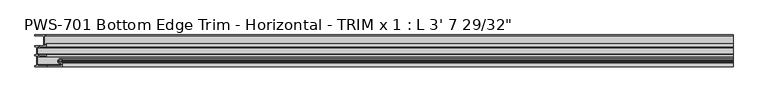
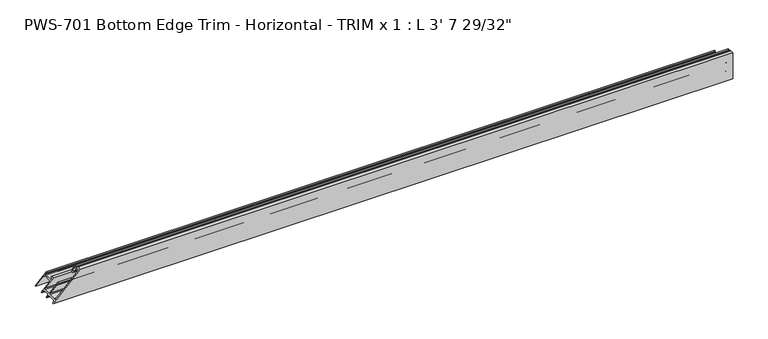
"""IFC4 building model written with IfcOpenShell, lengths in millimetres: proxy geometry."""

from ifc_helpers import new_model, si_unit, frame, origin, place, context, project, spatial, polyline, circle_curve, ellipse_curve, source, transform, mapped, element, save
from ifc_brep_helpers import plane_surface, cylinder_surface, revolved_surface, advanced_brep


def proxy_22aa5957(model_context):
    return source(origin(), model_context, "Body", "AdvancedBrep", [
        advanced_brep(
        [(1115.21875, 15.875, 17.4625), (1115.21875, 17.4625, 15.875), (1115.21875, 17.4625, 6.35), (1115.21875, 15.875, 4.7625), (1115.21875, 3.97002, 4.7625), (1115.21875, 2.38252, 6.35), (1115.21875, 1.5875, 19.05), (1115.21875, 1.5875, 41.275), (1115.21875, 3.175, 42.8625), (1115.21875, 4.699, 42.8625), (1115.21875, 4.699, 40.0142401), (1115.21875, 8.6995, 36.4914739), (1115.21875, 12.7, 40.0142401), (1115.21875, 12.7, 43.688), (1115.21875, 10.3627194, 43.688), (1115.21875, 10.2659469, 42.7502912), (1115.21875, 11.1125, 42.7502912), (1115.21875, 11.1125, 40.242076), (1115.21875, 8.6995, 38.1), (1115.21875, 6.2865, 40.242076), (1115.21875, 6.2865, 42.7502912), (1115.21875, 7.1755, 42.7502912), (1115.21875, 7.1755, 43.5416341), (1115.21875, 6.0569064, 44.45), (1115.21875, 0.0, 44.45), (1115.21875, 0.0, 0.0), (1115.21875, 1.5875, 0.0), (1115.21875, 1.5875, 1.5875), (1115.21875, 3.175, 3.175), (1115.21875, 15.875, 3.175), (1115.21875, 17.4625, 1.5875), (1115.21875, 17.4625, 0.0), (1115.21875, 19.05, 0.0), (1115.21875, 19.05, 1.5875), (1115.21875, 20.6375, 3.175), (1115.21875, 30.1625, 3.175), (1115.21875, 31.75, 1.5875), (1115.21875, 31.75, 0.0), (1115.21875, 33.3375, 0.0), (1115.21875, 33.3375, 12.7), (1115.21875, 34.925, 14.2875), (1115.21875, 47.625, 14.2875), (1115.21875, 49.2125, 12.7), (1115.21875, 49.2125, 0.0), (1115.21875, 50.8, 0.0), (1115.21875, 50.8, 17.907), (1115.21875, 49.2125, 17.907), (1115.21875, 49.2125, 15.875), (1115.21875, 33.9725, 15.875), (1115.21875, 33.9725, 17.4625), (1115.21875, 35.55873, 17.4625), (1115.21875, 36.35375, 18.25752), (1115.21875, 36.35375, 19.05), (1115.21875, 31.75, 19.05), (1115.21875, 31.75, 6.35), (1115.21875, 30.1625, 4.7625), (1115.21875, 20.6375, 4.7625), (1115.21875, 19.05, 6.35), (1115.21875, 19.05, 19.05), (1115.21875, 15.875, 19.05), (17.4625, 15.875, 17.4625), (15.875, 17.4625, 15.875), (6.35, 17.4625, 6.35), (4.7625, 15.875, 4.7625), (4.7625, 3.97002, 4.7625), (6.35, 2.38252, 6.35), (19.05, 1.5875, 19.05), (41.275, 1.5875, 41.275), (42.8625, 3.175, 42.8625), (42.8625, 4.699, 42.8625), (40.0142401, 4.699, 40.0142401), (36.4914739, 8.6995, 36.4914739), (40.0142401, 12.7, 40.0142401), (43.688, 12.7, 43.688), (43.688, 10.3627194, 43.688), (42.7502912, 10.2659469, 42.7502912), (42.7502912, 11.1125, 42.7502912), (40.242076, 11.1125, 40.242076), (38.1, 8.6995, 38.1), (40.242076, 6.2865, 40.242076), (42.7502912, 6.2865, 42.7502912), (42.7502912, 7.1755, 42.7502912), (43.5416341, 7.1755, 43.5416341), (44.45, 6.0569064, 44.45), (44.45, 0.0, 44.45), (0.0, 0.0, 0.0), (0.0, 1.5875, 0.0), (1.5875, 1.5875, 1.5875), (3.175, 3.175, 3.175), (3.175, 15.875, 3.175), (1.5875, 17.4625, 1.5875), (0.0, 17.4625, 0.0), (0.0, 19.05, 0.0), (1.5875, 19.05, 1.5875), (3.175, 20.6375, 3.175), (3.175, 30.1625, 3.175), (1.5875, 31.75, 1.5875), (0.0, 31.75, 0.0), (0.0, 33.3375, 0.0), (12.7, 33.3375, 12.7), (14.2875, 34.925, 14.2875), (14.2875, 47.625, 14.2875), (12.7, 49.2125, 12.7), (0.0, 49.2125, 0.0), (0.0, 50.8, 0.0), (17.907, 50.8, 17.907), (17.907, 49.2125, 17.907), (15.875, 49.2125, 15.875), (15.875, 33.9725, 15.875), (17.4625, 33.9725, 17.4625), (17.4625, 35.55873, 17.4625), (18.25752, 36.35375, 18.25752), (19.05, 36.35375, 19.05), (19.05, 31.75, 19.05), (6.35, 31.75, 6.35), (4.7625, 30.1625, 4.7625), (4.7625, 20.6375, 4.7625), (6.35, 19.05, 6.35), (19.05, 19.05, 19.05), (19.05, 15.875, 19.05)],
        [
            (0, 1, circle_curve(frame((1115.21875, 15.875, 15.875), z_axis=(-1.0, 0.0, 0.0), x_axis=(0.0, 0.0, -1.0)), 1.5875)),
            (1, 2),
            (2, 3, circle_curve(frame((1115.21875, 15.875, 6.35), z_axis=(-1.0, 0.0, 0.0), x_axis=(0.0, 0.0, -1.0)), 1.5875)),
            (3, 4),
            (4, 5, circle_curve(frame((1115.21875, 3.97002, 6.35), z_axis=(-1.0, 0.0, 0.0), x_axis=(0.0, 0.0, -1.0)), 1.5875)),
            (5, 6),
            (6, 7),
            (7, 8, circle_curve(frame((1115.21875, 3.175, 41.275), z_axis=(-1.0, 0.0, 0.0), x_axis=(0.0, 0.0, -1.0)), 1.5875)),
            (8, 9),
            (9, 10),
            (10, 11, circle_curve(frame((1115.21875, 9.3305673, 41.2410159), z_axis=(1.0, 0.0, 0.0), x_axis=(0.0, 0.0, -1.0)), 4.7912832)),
            (11, 12, circle_curve(frame((1115.21875, 8.0684327, 41.2410159), z_axis=(1.0, 0.0, 0.0), x_axis=(0.0, 0.0, -1.0)), 4.7912832)),
            (12, 13),
            (13, 14),
            (14, 15, circle_curve(frame((1115.21875, 11.3244879, 43.1148966), z_axis=(1.0, 0.0, 0.0), x_axis=(0.0, 0.0, -1.0)), 1.1195742)),
            (15, 16),
            (16, 17),
            (17, 18, circle_curve(frame((1115.21875, 8.0684327, 41.2410159), z_axis=(-1.0, 0.0, 0.0), x_axis=(0.0, 0.0, -1.0)), 3.2037832)),
            (18, 19, circle_curve(frame((1115.21875, 9.3305673, 41.2410159), z_axis=(-1.0, 0.0, 0.0), x_axis=(0.0, 0.0, -1.0)), 3.2037832)),
            (19, 20),
            (20, 21),
            (21, 22),
            (22, 23, circle_curve(frame((1115.21875, 6.0569064, 43.3070794), z_axis=(1.0, 0.0, 0.0), x_axis=(0.0, 0.0, -1.0)), 1.1429206)),
            (23, 24),
            (24, 25),
            (25, 26),
            (26, 27),
            (27, 28, circle_curve(frame((1115.21875, 3.175, 1.5875), z_axis=(-1.0, 0.0, 0.0), x_axis=(0.0, 0.0, -1.0)), 1.5875)),
            (28, 29),
            (29, 30, circle_curve(frame((1115.21875, 15.875, 1.5875), z_axis=(-1.0, 0.0, 0.0), x_axis=(0.0, 0.0, -1.0)), 1.5875)),
            (30, 31),
            (31, 32),
            (32, 33),
            (33, 34, circle_curve(frame((1115.21875, 20.6375, 1.5875), z_axis=(-1.0, 0.0, 0.0), x_axis=(0.0, 0.0, -1.0)), 1.5875)),
            (34, 35),
            (35, 36, circle_curve(frame((1115.21875, 30.1625, 1.5875), z_axis=(-1.0, 0.0, 0.0), x_axis=(0.0, 0.0, -1.0)), 1.5875)),
            (36, 37),
            (37, 38),
            (38, 39),
            (39, 40, circle_curve(frame((1115.21875, 34.925, 12.7), z_axis=(-1.0, 0.0, 0.0), x_axis=(0.0, 0.0, -1.0)), 1.5875)),
            (40, 41),
            (41, 42, circle_curve(frame((1115.21875, 47.625, 12.7), z_axis=(-1.0, 0.0, 0.0), x_axis=(0.0, 0.0, -1.0)), 1.5875)),
            (42, 43),
            (43, 44),
            (44, 45),
            (45, 46),
            (46, 47),
            (47, 48),
            (48, 49),
            (49, 50),
            (50, 51, circle_curve(frame((1115.21875, 35.55873, 18.25752), z_axis=(1.0, 0.0, 0.0), x_axis=(0.0, 0.0, -1.0)), 0.79502)),
            (51, 52),
            (52, 53),
            (53, 54),
            (54, 55, circle_curve(frame((1115.21875, 30.1625, 6.35), z_axis=(-1.0, 0.0, 0.0), x_axis=(0.0, 0.0, -1.0)), 1.5875)),
            (55, 56),
            (56, 57, circle_curve(frame((1115.21875, 20.6375, 6.35), z_axis=(-1.0, 0.0, 0.0), x_axis=(0.0, 0.0, -1.0)), 1.5875)),
            (57, 58),
            (58, 59),
            (59, 0),
            (0, 60),
            (60, 61, ellipse_curve(frame((15.875, 15.875, 15.875), z_axis=(-0.707106781186547, 0.0, 0.7071067811865481), x_axis=(-0.7071067811865478, 0.0, -0.707106781186547)), 2.245064, 1.5875)),
            (61, 1),
            (61, 62),
            (62, 2),
            (62, 63, ellipse_curve(frame((6.35, 15.875, 6.35), z_axis=(-0.707106781186547, 0.0, 0.7071067811865481), x_axis=(-0.7071067811865478, 0.0, -0.707106781186547)), 2.245064, 1.5875)),
            (63, 3),
            (63, 64),
            (64, 4),
            (64, 65, ellipse_curve(frame((6.35, 3.97002, 6.35), z_axis=(-0.707106781186547, 0.0, 0.7071067811865481), x_axis=(-0.7071067811865478, 0.0, -0.707106781186547)), 2.245064, 1.5875)),
            (65, 5),
            (65, 66),
            (66, 6),
            (66, 67),
            (67, 7),
            (67, 68, ellipse_curve(frame((41.275, 3.175, 41.275), z_axis=(-0.707106781186547, 0.0, 0.7071067811865481), x_axis=(-0.7071067811865478, 0.0, -0.707106781186547)), 2.245064, 1.5875)),
            (68, 8),
            (68, 69),
            (69, 9),
            (69, 70),
            (70, 10),
            (70, 71, ellipse_curve(frame((41.2410159, 9.3305673, 41.2410159), z_axis=(0.707106781186547, 0.0, -0.7071067811865481), x_axis=(0.7071067811865478, 0.0, 0.707106781186547)), 6.7758977, 4.7912832)),
            (71, 11),
            (71, 72, ellipse_curve(frame((41.2410159, 8.0684327, 41.2410159), z_axis=(0.707106781186547, 0.0, -0.7071067811865481), x_axis=(0.7071067811865478, 0.0, 0.707106781186547)), 6.7758977, 4.7912832)),
            (72, 12),
            (72, 73),
            (73, 13),
            (73, 74),
            (74, 14),
            (74, 75, ellipse_curve(frame((43.1148966, 11.3244879, 43.1148966), z_axis=(0.707106781186547, 0.0, -0.7071067811865481), x_axis=(0.7071067811865478, 0.0, 0.707106781186547)), 1.583317, 1.1195742)),
            (75, 15),
            (75, 76),
            (76, 16),
            (76, 77),
            (77, 17),
            (77, 78, ellipse_curve(frame((41.2410159, 8.0684327, 41.2410159), z_axis=(-0.707106781186547, 0.0, 0.7071067811865481), x_axis=(-0.7071067811865478, 0.0, -0.707106781186547)), 4.5308337, 3.2037832)),
            (78, 18),
            (78, 79, ellipse_curve(frame((41.2410159, 9.3305673, 41.2410159), z_axis=(-0.707106781186547, 0.0, 0.7071067811865481), x_axis=(-0.7071067811865478, 0.0, -0.707106781186547)), 4.5308337, 3.2037832)),
            (79, 19),
            (79, 80),
            (80, 20),
            (80, 81),
            (81, 21),
            (81, 82),
            (82, 22),
            (82, 83, ellipse_curve(frame((43.3070794, 6.0569064, 43.3070794), z_axis=(0.707106781186547, 0.0, -0.7071067811865481), x_axis=(0.7071067811865478, 0.0, 0.707106781186547)), 1.6163338, 1.1429206)),
            (83, 23),
            (83, 84),
            (84, 24),
            (84, 85),
            (85, 25),
            (85, 86),
            (86, 26),
            (86, 87),
            (87, 27),
            (87, 88, ellipse_curve(frame((1.5875, 3.175, 1.5875), z_axis=(-0.707106781186547, 0.0, 0.7071067811865481), x_axis=(-0.7071067811865478, 0.0, -0.707106781186547)), 2.245064, 1.5875)),
            (88, 28),
            (88, 89),
            (89, 29),
            (89, 90, ellipse_curve(frame((1.5875, 15.875, 1.5875), z_axis=(-0.707106781186547, 0.0, 0.7071067811865481), x_axis=(-0.7071067811865478, 0.0, -0.707106781186547)), 2.245064, 1.5875)),
            (90, 30),
            (90, 91),
            (91, 31),
            (91, 92),
            (92, 32),
            (92, 93),
            (93, 33),
            (93, 94, ellipse_curve(frame((1.5875, 20.6375, 1.5875), z_axis=(-0.707106781186547, 0.0, 0.7071067811865481), x_axis=(-0.7071067811865478, 0.0, -0.707106781186547)), 2.245064, 1.5875)),
            (94, 34),
            (94, 95),
            (95, 35),
            (95, 96, ellipse_curve(frame((1.5875, 30.1625, 1.5875), z_axis=(-0.707106781186547, 0.0, 0.7071067811865481), x_axis=(-0.7071067811865478, 0.0, -0.707106781186547)), 2.245064, 1.5875)),
            (96, 36),
            (96, 97),
            (97, 37),
            (97, 98),
            (98, 38),
            (98, 99),
            (99, 39),
            (99, 100, ellipse_curve(frame((12.7, 34.925, 12.7), z_axis=(-0.707106781186547, 0.0, 0.7071067811865481), x_axis=(-0.7071067811865478, 0.0, -0.707106781186547)), 2.245064, 1.5875)),
            (100, 40),
            (100, 101),
            (101, 41),
            (101, 102, ellipse_curve(frame((12.7, 47.625, 12.7), z_axis=(-0.707106781186547, 0.0, 0.7071067811865481), x_axis=(-0.7071067811865478, 0.0, -0.707106781186547)), 2.245064, 1.5875)),
            (102, 42),
            (102, 103),
            (103, 43),
            (103, 104),
            (104, 44),
            (104, 105),
            (105, 45),
            (105, 106),
            (106, 46),
            (106, 107),
            (107, 47),
            (107, 108),
            (108, 48),
            (108, 109),
            (109, 49),
            (109, 110),
            (110, 50),
            (110, 111, ellipse_curve(frame((18.25752, 35.55873, 18.25752), z_axis=(0.707106781186547, 0.0, -0.7071067811865481), x_axis=(0.7071067811865478, 0.0, 0.707106781186547)), 1.1243281, 0.79502)),
            (111, 51),
            (111, 112),
            (112, 52),
            (112, 113),
            (113, 53),
            (113, 114),
            (114, 54),
            (114, 115, ellipse_curve(frame((6.35, 30.1625, 6.35), z_axis=(-0.707106781186547, 0.0, 0.7071067811865481), x_axis=(-0.7071067811865478, 0.0, -0.707106781186547)), 2.245064, 1.5875)),
            (115, 55),
            (115, 116),
            (116, 56),
            (116, 117, ellipse_curve(frame((6.35, 20.6375, 6.35), z_axis=(-0.707106781186547, 0.0, 0.7071067811865481), x_axis=(-0.7071067811865478, 0.0, -0.707106781186547)), 2.245064, 1.5875)),
            (117, 57),
            (117, 118),
            (118, 58),
            (118, 119),
            (119, 59),
            (119, 60),
        ],
        [
            plane_surface(frame((1115.21875, 15.875, 14.2875), z_axis=(1.0, 0.0, 0.0), x_axis=(0.0, -1.0, 0.0))),
            revolved_surface(polyline([(14.287500021402204, 15.875, 14.2875), (1115.21875, 15.875, 14.2875)]), (0.0, 15.875, 15.875), (-1.0, 0.0, 0.0)),
            plane_surface(frame((1115.21875, 17.4625, 15.875), z_axis=(0.0, -1.0, 0.0), x_axis=(-1.0, 0.0, 0.0))),
            revolved_surface(polyline([(4.7625, 15.875, 4.762499999999999), (1115.21875, 15.875, 4.762499999999999)]), (0.0, 15.875, 6.35), (-1.0, 0.0, 0.0)),
            plane_surface(frame((1115.21875, 15.875, 4.7625), z_axis=(0.0, 0.0, 1.0), x_axis=(-1.0, 0.0, 0.0))),
            revolved_surface(polyline([(4.7625, 3.97002, 4.762499999999999), (1115.21875, 3.97002, 4.762499999999999)]), (0.0, 3.97002, 6.35), (-1.0, 0.0, 0.0)),
            plane_surface(frame((1115.21875, 2.38252, 6.35), z_axis=(0.0, 0.9980463600132397, 0.06247770213702593), x_axis=(-1.0, 0.0, 0.0))),
            plane_surface(frame((1115.21875, 1.5875, 19.05), z_axis=(0.0, 1.0, 0.0), x_axis=(-1.0, 0.0, 0.0))),
            revolved_surface(polyline([(39.6875000214022, 3.175, 39.6875), (1115.21875, 3.175, 39.6875)]), (0.0, 3.175, 41.275), (-1.0, 0.0, 0.0)),
            plane_surface(frame((1115.21875, 3.175, 42.8625), z_axis=(0.0, 0.0, -1.0), x_axis=(-1.0, 0.0, 0.0))),
            plane_surface(frame((1115.21875, 4.699, 42.8625), z_axis=(0.0, -1.0, 0.0), x_axis=(-1.0, 0.0, 0.0))),
            cylinder_surface(frame((0.0, 9.3305673, 41.2410159), z_axis=(1.0, 0.0, 0.0), x_axis=(0.0, 0.0, -1.0)), 4.7912832),
            cylinder_surface(frame((0.0, 8.0684327, 41.2410159), z_axis=(1.0, 0.0, 0.0), x_axis=(0.0, 0.0, -1.0)), 4.7912832),
            plane_surface(frame((1115.21875, 12.7, 40.0142401), z_axis=(0.0, 1.0, 0.0), x_axis=(-1.0, 0.0, 0.0))),
            plane_surface(frame((1115.21875, 12.7, 43.688), z_axis=(0.0, 0.0, 1.0), x_axis=(-1.0, 0.0, 0.0))),
            cylinder_surface(frame((0.0, 11.3244879, 43.1148966), z_axis=(1.0, 0.0, 0.0), x_axis=(0.0, 0.0, -1.0)), 1.1195742),
            plane_surface(frame((1115.21875, 10.2659469, 42.7502912), z_axis=(0.0, 0.0, -1.0), x_axis=(-1.0, 0.0, 0.0))),
            plane_surface(frame((1115.21875, 11.1125, 42.7502912), z_axis=(0.0, -1.0, 0.0), x_axis=(-1.0, 0.0, 0.0))),
            revolved_surface(polyline([(38.03723266630146, 8.0684327, 38.037232700000004), (1115.21875, 8.0684327, 38.037232700000004)]), (0.0, 8.0684327, 41.2410159), (-1.0, 0.0, 0.0)),
            revolved_surface(polyline([(38.03723266630146, 9.3305673, 38.037232700000004), (1115.21875, 9.3305673, 38.037232700000004)]), (0.0, 9.3305673, 41.2410159), (-1.0, 0.0, 0.0)),
            plane_surface(frame((1115.21875, 6.2865, 40.242076), z_axis=(0.0, 1.0, 0.0), x_axis=(-1.0, 0.0, 0.0))),
            plane_surface(frame((1115.21875, 6.2865, 42.7502912), z_axis=(0.0, 0.0, -1.0), x_axis=(-1.0, 0.0, 0.0))),
            plane_surface(frame((1115.21875, 7.1755, 42.7502912), z_axis=(0.0, 1.0, 0.0), x_axis=(-1.0, 0.0, 0.0))),
            cylinder_surface(frame((0.0, 6.0569064, 43.3070794), z_axis=(1.0, 0.0, 0.0), x_axis=(0.0, 0.0, -1.0)), 1.1429206),
            plane_surface(frame((1115.21875, 6.0569064, 44.45), z_axis=(0.0, 0.0, 1.0), x_axis=(-1.0, 0.0, 0.0))),
            plane_surface(frame((1115.21875, 0.0, 44.45), z_axis=(0.0, -1.0, 0.0), x_axis=(-1.0, 0.0, 0.0))),
            plane_surface(frame((1115.21875, 0.0, 0.0), z_axis=(0.0, 0.0, -1.0), x_axis=(-1.0, 0.0, 0.0))),
            plane_surface(frame((1115.21875, 1.5875, 0.0), z_axis=(0.0, 1.0, 0.0), x_axis=(-1.0, 0.0, 0.0))),
            revolved_surface(polyline([(2.1402204009035586e-08, 3.175, 0.0), (1115.21875, 3.175, 0.0)]), (0.0, 3.175, 1.5875), (-1.0, 0.0, 0.0)),
            plane_surface(frame((1115.21875, 3.175, 3.175), z_axis=(0.0, 0.0, -1.0), x_axis=(-1.0, 0.0, 0.0))),
            revolved_surface(polyline([(2.1402204009035586e-08, 15.875, 0.0), (1115.21875, 15.875, 0.0)]), (0.0, 15.875, 1.5875), (-1.0, 0.0, 0.0)),
            plane_surface(frame((1115.21875, 17.4625, 1.5875), z_axis=(0.0, -1.0, 0.0), x_axis=(-1.0, 0.0, 0.0))),
            plane_surface(frame((1115.21875, 17.4625, 0.0), z_axis=(0.0, 0.0, -1.0), x_axis=(-1.0, 0.0, 0.0))),
            plane_surface(frame((1115.21875, 19.05, 0.0), z_axis=(0.0, 1.0, 0.0), x_axis=(-1.0, 0.0, 0.0))),
            revolved_surface(polyline([(2.1402204009035586e-08, 20.6375, 0.0), (1115.21875, 20.6375, 0.0)]), (0.0, 20.6375, 1.5875), (-1.0, 0.0, 0.0)),
            plane_surface(frame((1115.21875, 20.6375, 3.175), z_axis=(0.0, 0.0, -1.0), x_axis=(-1.0, 0.0, 0.0))),
            revolved_surface(polyline([(2.1402204009035586e-08, 30.1625, 0.0), (1115.21875, 30.1625, 0.0)]), (0.0, 30.1625, 1.5875), (-1.0, 0.0, 0.0)),
            plane_surface(frame((1115.21875, 31.75, 1.5875), z_axis=(0.0, -1.0, 0.0), x_axis=(-1.0, 0.0, 0.0))),
            plane_surface(frame((1115.21875, 31.75, 0.0), z_axis=(0.0, 0.0, -1.0), x_axis=(-1.0, 0.0, 0.0))),
            plane_surface(frame((1115.21875, 33.3375, 0.0), z_axis=(0.0, 1.0, 0.0), x_axis=(-1.0, 0.0, 0.0))),
            revolved_surface(polyline([(11.112500021402203, 34.925, 11.112499999999999), (1115.21875, 34.925, 11.112499999999999)]), (0.0, 34.925, 12.7), (-1.0, 0.0, 0.0)),
            plane_surface(frame((1115.21875, 34.925, 14.2875), z_axis=(0.0, 0.0, -1.0), x_axis=(-1.0, 0.0, 0.0))),
            revolved_surface(polyline([(11.112500021402203, 47.625, 11.112499999999999), (1115.21875, 47.625, 11.112499999999999)]), (0.0, 47.625, 12.7), (-1.0, 0.0, 0.0)),
            plane_surface(frame((1115.21875, 49.2125, 12.7), z_axis=(0.0, -1.0, 0.0), x_axis=(-1.0, 0.0, 0.0))),
            plane_surface(frame((1115.21875, 49.2125, 0.0), z_axis=(0.0, 0.0, -1.0), x_axis=(-1.0, 0.0, 0.0))),
            plane_surface(frame((1115.21875, 50.8, 0.0), z_axis=(0.0, 1.0, 0.0), x_axis=(-1.0, 0.0, 0.0))),
            plane_surface(frame((1115.21875, 50.8, 17.907), z_axis=(0.0, 0.0, 1.0), x_axis=(-1.0, 0.0, 0.0))),
            plane_surface(frame((1115.21875, 49.2125, 17.907), z_axis=(0.0, -1.0, 0.0), x_axis=(-1.0, 0.0, 0.0))),
            plane_surface(frame((1115.21875, 49.2125, 15.875), z_axis=(0.0, 0.0, 1.0), x_axis=(-1.0, 0.0, 0.0))),
            plane_surface(frame((1115.21875, 33.9725, 15.875), z_axis=(0.0, 1.0, 0.0), x_axis=(-1.0, 0.0, 0.0))),
            plane_surface(frame((1115.21875, 33.9725, 17.4625), z_axis=(0.0, 0.0, -1.0), x_axis=(-1.0, 0.0, 0.0))),
            cylinder_surface(frame((0.0, 35.55873, 18.25752), z_axis=(1.0, 0.0, 0.0), x_axis=(0.0, 0.0, -1.0)), 0.79502),
            plane_surface(frame((1115.21875, 36.35375, 18.25752), z_axis=(0.0, 1.0, 0.0), x_axis=(-1.0, 0.0, 0.0))),
            plane_surface(frame((1115.21875, 36.35375, 19.05), z_axis=(0.0, 0.0, 1.0), x_axis=(-1.0, 0.0, 0.0))),
            plane_surface(frame((1115.21875, 31.75, 19.05), z_axis=(0.0, -1.0, 0.0), x_axis=(-1.0, 0.0, 0.0))),
            revolved_surface(polyline([(4.7625, 30.1625, 4.762499999999999), (1115.21875, 30.1625, 4.762499999999999)]), (0.0, 30.1625, 6.35), (-1.0, 0.0, 0.0)),
            plane_surface(frame((1115.21875, 30.1625, 4.7625), z_axis=(0.0, 0.0, 1.0), x_axis=(-1.0, 0.0, 0.0))),
            revolved_surface(polyline([(4.7625, 20.6375, 4.762499999999999), (1115.21875, 20.6375, 4.762499999999999)]), (0.0, 20.6375, 6.35), (-1.0, 0.0, 0.0)),
            plane_surface(frame((1115.21875, 19.05, 6.35), z_axis=(0.0, 1.0, 0.0), x_axis=(-1.0, 0.0, 0.0))),
            plane_surface(frame((1115.21875, 19.05, 19.05), z_axis=(0.0, 0.0, 1.0), x_axis=(-1.0, 0.0, 0.0))),
            plane_surface(frame((1115.21875, 15.875, 19.05), z_axis=(0.0, -1.0, 0.0), x_axis=(-1.0, 0.0, 0.0))),
            plane_surface(frame((0.0, 0.0, 0.0), z_axis=(-0.707106781186547, 0.0, 0.7071067811865481), x_axis=(0.0, 1.0, 0.0))),
        ],
        [
            (0, [[1, 2, 3, 4, 5, 6, 7, 8, 9, 10, 11, 12, 13, 14, 15, 16, 17, 18, 19, 20, 21, 22, 23, 24, 25, 26, 27, 28, 29, 30, 31, 32, 33, 34, 35, 36, 37, 38, 39, 40, 41, 42, 43, 44, 45, 46, 47, 48, 49, 50, 51, 52, 53, 54, 55, 56, 57, 58, 59, 60]]),
            (1, [[-1, 61, 62, 63]]),
            (2, [[-2, -63, 64, 65]]),
            (3, [[-3, -65, 66, 67]]),
            (4, [[-4, -67, 68, 69]]),
            (5, [[-5, -69, 70, 71]]),
            (6, [[-6, -71, 72, 73]]),
            (7, [[-7, -73, 74, 75]]),
            (8, [[-8, -75, 76, 77]]),
            (9, [[-9, -77, 78, 79]]),
            (10, [[-10, -79, 80, 81]]),
            (11, [[-11, -81, 82, 83]]),
            (12, [[-12, -83, 84, 85]]),
            (13, [[-13, -85, 86, 87]]),
            (14, [[-14, -87, 88, 89]]),
            (15, [[-15, -89, 90, 91]]),
            (16, [[-16, -91, 92, 93]]),
            (17, [[-17, -93, 94, 95]]),
            (18, [[-18, -95, 96, 97]]),
            (19, [[-19, -97, 98, 99]]),
            (20, [[-20, -99, 100, 101]]),
            (21, [[-21, -101, 102, 103]]),
            (22, [[-22, -103, 104, 105]]),
            (23, [[-23, -105, 106, 107]]),
            (24, [[-24, -107, 108, 109]]),
            (25, [[-25, -109, 110, 111]]),
            (26, [[-26, -111, 112, 113]]),
            (27, [[-27, -113, 114, 115]]),
            (28, [[-28, -115, 116, 117]]),
            (29, [[-29, -117, 118, 119]]),
            (30, [[-30, -119, 120, 121]]),
            (31, [[-31, -121, 122, 123]]),
            (32, [[-32, -123, 124, 125]]),
            (33, [[-33, -125, 126, 127]]),
            (34, [[-34, -127, 128, 129]]),
            (35, [[-35, -129, 130, 131]]),
            (36, [[-36, -131, 132, 133]]),
            (37, [[-37, -133, 134, 135]]),
            (38, [[-38, -135, 136, 137]]),
            (39, [[-39, -137, 138, 139]]),
            (40, [[-40, -139, 140, 141]]),
            (41, [[-41, -141, 142, 143]]),
            (42, [[-42, -143, 144, 145]]),
            (43, [[-43, -145, 146, 147]]),
            (44, [[-44, -147, 148, 149]]),
            (45, [[-45, -149, 150, 151]]),
            (46, [[-46, -151, 152, 153]]),
            (47, [[-47, -153, 154, 155]]),
            (48, [[-48, -155, 156, 157]]),
            (49, [[-49, -157, 158, 159]]),
            (50, [[-50, -159, 160, 161]]),
            (51, [[-51, -161, 162, 163]]),
            (52, [[-52, -163, 164, 165]]),
            (53, [[-53, -165, 166, 167]]),
            (54, [[-54, -167, 168, 169]]),
            (55, [[-55, -169, 170, 171]]),
            (56, [[-56, -171, 172, 173]]),
            (57, [[-57, -173, 174, 175]]),
            (58, [[-58, -175, 176, 177]]),
            (59, [[-59, -177, 178, 179]]),
            (60, [[-60, -179, 180, -61]]),
            (61, [[-62, -180, -178, -176, -174, -172, -170, -168, -166, -164, -162, -160, -158, -156, -154, -152, -150, -148, -146, -144, -142, -140, -138, -136, -134, -132, -130, -128, -126, -124, -122, -120, -118, -116, -114, -112, -110, -108, -106, -104, -102, -100, -98, -96, -94, -92, -90, -88, -86, -84, -82, -80, -78, -76, -74, -72, -70, -68, -66, -64]]),
        ],
    ),
    ])


if __name__ == "__main__":
    model = new_model("IFC4")
    model_context = context("Model", 3, world=origin())
    ifc_project = project(units=[si_unit("LENGTHUNIT", "METRE", prefix="MILLI")], contexts=[model_context])
    site = spatial("IfcSite", under=ifc_project)
    building = spatial("IfcBuilding", under=site)
    placement = place(None, origin())
    proxy_shape = proxy_22aa5957(model_context)
    element("IfcBuildingElementProxy", 1, Name="PWS-701 Bottom Edge Trim - Horizontal - TRIM x 1 : L 3' 7 29/32\"", ObjectType="PWS-701 Bottom Edge Trim - Horizontal - TRIM x 1 : L 3' 7 29/32\"", at=placement, inside=building, context=model_context, shape_type="MappedRepresentation", body=[
        mapped(proxy_shape, transform((0.0, 0.0, 0.0), x_axis=(1.0, 0.0, 0.0), y_axis=(0.0, 1.0, 0.0), z_axis=(0.0, 0.0, 1.0))),
    ])
    save(model, "model.ifc")
